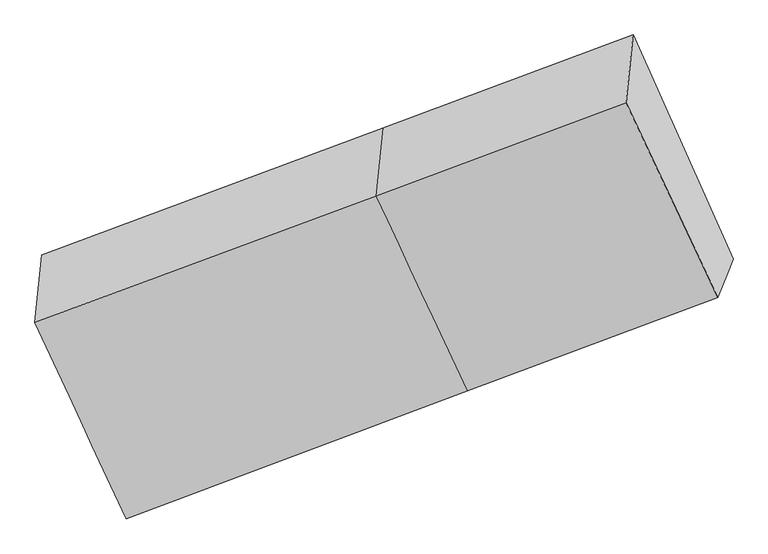
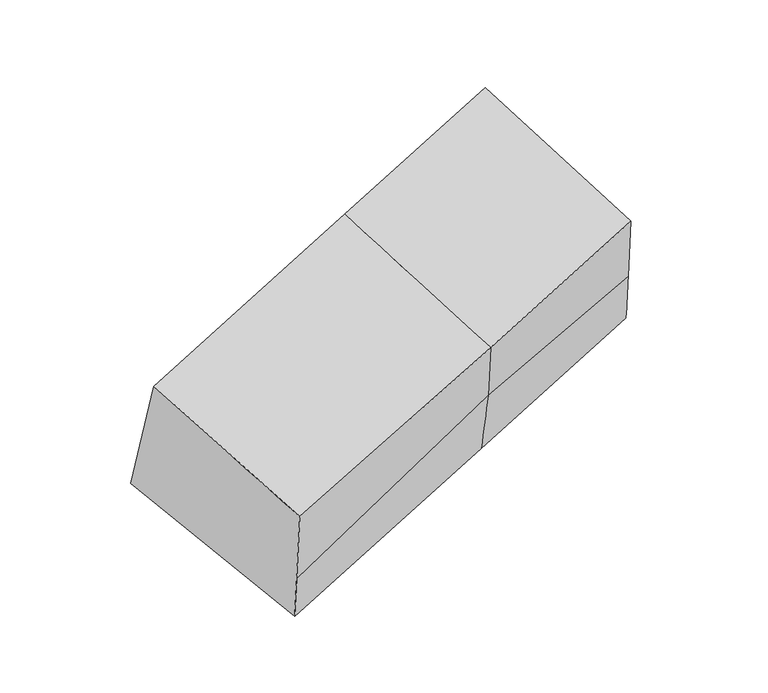
"""IFC4 building model written with IfcOpenShell, lengths in millimetres: proxy geometry."""

from ifc_helpers import new_model, si_unit, frame, origin, place, context, project, spatial, source, transform, mapped, element, save
from ifc_brep_helpers import plane_surface, spline_surface, advanced_brep


def generic_models_91c9a902(model_context):
    return source(origin(), model_context, "Body", "AdvancedBrep", [
        advanced_brep(
        [(-655.8125955, -1645.2832168, 1808.362972), (-668.6375707, -1770.5587211, 2154.6221391), (-39.4734882, -1536.3018477, 2262.678951), (-26.6485131, -1411.0263433, 1916.4197839), (-470.9923025, -2059.6745676, 1630.6021487), (144.1267725, -1830.6395842, 1736.2041822), (-481.9588743, -2087.3987761, 1754.5587898), (143.8641982, -1861.5881935, 1900.3794881), (-500.0119716, -2133.0381833, 1958.6153861), (130.0016295, -1896.6336713, 2057.0699741), (608.7499237, -1683.6142311, 1954.2305595), (620.7924288, -1653.169993, 1818.1124988), (435.9721357, -1238.7786422, 1995.8733221), (423.1471606, -1364.0541466, 2342.1324892), (592.6222784, -1724.3859702, 2136.5235123)],
        [
            (0, 1),
            (1, 2),
            (2, 3),
            (3, 0),
            (4, 0),
            (0, 5),
            (5, 4),
            (6, 4),
            (5, 7),
            (7, 6),
            (8, 6),
            (7, 9),
            (9, 8),
            (1, 8),
            (9, 2),
            (10, 11),
            (11, 12),
            (12, 13),
            (13, 14),
            (14, 10),
            (3, 5),
            (5, 11),
            (10, 7),
            (3, 12),
            (2, 13),
            (9, 14),
        ],
        [
            plane_surface(frame((-662.2250831, -1707.920969, 1981.4925556), z_axis=(-0.37777895174742515, 0.8750525513692442, 0.3025989027719583), x_axis=(-0.03480811188663136, -0.34000875021303556, 0.9397778700977468))),
            plane_surface(frame((-563.402449, -1852.4788922, 1719.4825603), z_axis=(0.009405395080759216, 0.3977500770351788, -0.9174455922624972), x_axis=(-0.37926109090219284, 0.8503531358870382, 0.3647746828040001))),
            spline_surface(1, 1, [[(-481.9588743, -2087.3987761, 1754.5587898), (143.8641982, -1861.5881935, 1900.3794881)], [(-470.9923025, -2059.6745676, 1630.6021487), (144.1267725, -1830.6395842, 1736.2041822)]], [2, 2], [2, 2], [0.0, 1.0], [0.0, 1.0]),
            plane_surface(frame((-490.9854229, -2110.2184797, 1856.587088), z_axis=(0.3694989351252638, -0.9132549311652441, -0.17156913371484173), x_axis=(0.08601789335826733, 0.21745884342013502, -0.9722718618990179))),
            spline_surface(1, 1, [[(-668.6375707, -1770.5587211, 2154.6221391), (-39.4734882, -1536.3018477, 2262.678951)], [(-500.0119716, -2133.0381833, 1958.6153861), (130.0016295, -1896.6336713, 2057.0699741)]], [2, 2], [2, 2], [0.0, 1.0], [0.0, 1.0]),
            plane_surface(frame((518.1335009, -1495.097188, 2073.1604556), z_axis=(0.9252412976967243, 0.3444954021764696, 0.15890707635519086), x_axis=(0.08601789335826711, 0.217458843420135, -0.972271861899018))),
            plane_surface(frame((-573.8636101, -1902.1386722, 1888.0506615), z_axis=(-0.9252412976967177, -0.3444954021764846, -0.15890707635519574), x_axis=(0.03480811188665506, 0.3400087502130377, -0.939777870097745))),
            plane_surface(frame((-655.8125955, -1645.2832168, 1808.362972), z_axis=(0.009431197236663483, 0.39784526079137367, -0.9174040554654896), x_axis=(-0.35026341539567823, 0.8606348771278921, 0.3696256864808136))),
            spline_surface(1, 1, [[(143.8641982, -1861.5881935, 1900.3794881), (608.7499237, -1683.6142311, 1954.2305595)], [(144.1267725, -1830.6395842, 1736.2041822), (620.7924288, -1653.169993, 1818.1124988)]], [2, 2], [2, 2], [0.0, 1.0], [0.0, 1.0]),
            spline_surface(1, 1, [[(144.1267725, -1830.6395842, 1736.2041822), (620.7924288, -1653.169993, 1818.1124988)], [(-26.6485131, -1411.0263433, 1916.4197839), (435.9721357, -1238.7786422, 1995.8733221)]], [2, 2], [2, 2], [0.0, 1.0], [0.0, 1.0]),
            plane_surface(frame((-33.0610007, -1473.6640955, 2089.5493675), z_axis=(-0.3777789517473888, 0.8750525513692602, 0.30259890277195733), x_axis=(-0.034808111886655176, -0.34000875021303667, 0.9397778700977455))),
            plane_surface(frame((45.2640706, -1716.4677595, 2159.8744626), z_axis=(0.030284851403401508, -0.4845923938512645, 0.8742156711000867), x_axis=(0.3781684397354637, -0.804047964801091, -0.45879788740497546))),
            plane_surface(frame((136.9329139, -1879.1109324, 1978.7247311), z_axis=(0.3694989351252281, -0.9132549311652576, -0.17156913371484855), x_axis=(0.08601789335826752, 0.2174588434201358, -0.9722718618990178))),
        ],
        [
            (0, [[1, 2, 3, 4]]),
            (1, [[5, 6, 7]]),
            (2, [[8, -7, 9, 10]]),
            (3, [[11, -10, 12, 13]]),
            (4, [[14, -13, 15, -2]]),
            (5, [[16, 17, 18, 19, 20]]),
            (6, [[-1, -5, -8, -11, -14]]),
            (7, [[21, -6, -4]]),
            (8, [[-9, 22, -16, 23]]),
            (9, [[-21, 24, -17, -22]]),
            (10, [[-3, 25, -18, -24]]),
            (11, [[-15, 26, -19, -25]]),
            (12, [[-12, -23, -20, -26]]),
        ],
    ),
    ])


if __name__ == "__main__":
    model = new_model("IFC4")
    model_context = context("Model", 3, world=origin())
    ifc_project = project(units=[si_unit("LENGTHUNIT", "METRE", prefix="MILLI")], contexts=[model_context])
    site = spatial("IfcSite", under=ifc_project)
    building = spatial("IfcBuilding", under=site)
    placement = place(None, origin())
    generic_models_shape = generic_models_91c9a902(model_context)
    element("IfcBuildingElementProxy", 1, Name="Generic Models", at=placement, inside=building, context=model_context, shape_type="MappedRepresentation", body=[
        mapped(generic_models_shape, transform((0.0, 0.0, 0.0), x_axis=(1.0, 0.0, 0.0), y_axis=(0.0, 1.0, 0.0), z_axis=(0.0, 0.0, 1.0))),
    ])
    save(model, "model.ifc")
